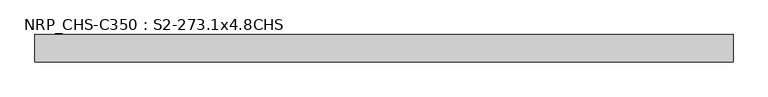
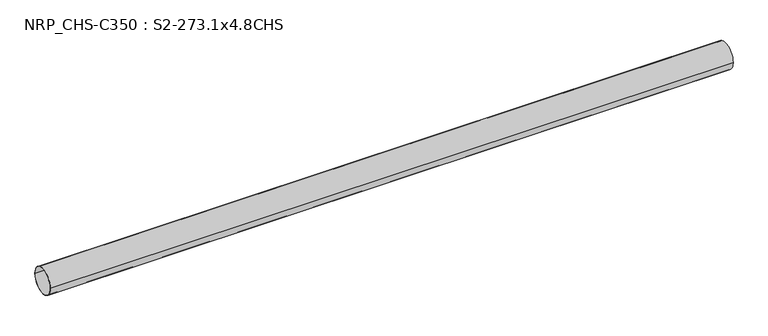
"""IFC4 building model written with IfcOpenShell, lengths in millimetres: beam geometry, NRP_CHS-C350 : S2-273.1x4.8CHS."""

from ifc_helpers import new_model, si_unit, point, frame, origin, origin_2d, place, context, project, spatial, circle_curve, trimmed, segment, composite_curve, outline, extrude, source, transform, mapped, element, save


def nrp_chs_c350_s2_273_1x4_8chs_d5327eff(model_context):
    return source(origin(), model_context, "Body", "SweptSolid", [
        extrude(outline(composite_curve([segment(trimmed(circle_curve(origin_2d(), 136.55), [point((-136.55, 0.0))], [point((136.55, 0.0))], False, "CARTESIAN"), True, "CONTINUOUS"), segment(trimmed(circle_curve(origin_2d(), 136.55), [point((136.55, 0.0))], [point((-136.55, 0.0))], False, "CARTESIAN"), True, "CONTINUOUS")], self_intersect=False), holes=[composite_curve([segment(trimmed(circle_curve(origin_2d(), 131.75), [point((131.75, 0.0))], [point((-131.75, 0.0))], True, "CARTESIAN"), True, "CONTINUOUS"), segment(trimmed(circle_curve(origin_2d(), 131.75), [point((-131.75, 0.0))], [point((131.75, 0.0))], True, "CARTESIAN"), True, "CONTINUOUS")], self_intersect=False)]), frame((-3527.65, 0.0, 0.0), z_axis=(1.0, 0.0, 0.0), x_axis=(0.0, 1.0, 0.0)), (0.0, 0.0, 1.0), 7015.7),
    ])


if __name__ == "__main__":
    model = new_model("IFC4")
    model_context = context("Model", 3, world=origin())
    ifc_project = project(units=[si_unit("LENGTHUNIT", "METRE", prefix="MILLI")], contexts=[model_context])
    site = spatial("IfcSite", under=ifc_project)
    building = spatial("IfcBuilding", under=site)
    placement = place(None, origin())
    nrp_chs_c350_s2_273_1x4_8chs_shape = nrp_chs_c350_s2_273_1x4_8chs_d5327eff(model_context)
    element("IfcBeam", 1, ObjectType="NRP_CHS-C350 : S2-273.1x4.8CHS", at=placement, inside=building, context=model_context, shape_type="MappedRepresentation", body=[
        mapped(nrp_chs_c350_s2_273_1x4_8chs_shape, transform((0.0, 0.0, 0.0), x_axis=(1.0, 0.0, 0.0), y_axis=(0.0, 1.0, 0.0), z_axis=(0.0, 0.0, 1.0))),
    ])
    save(model, "model.ifc")
